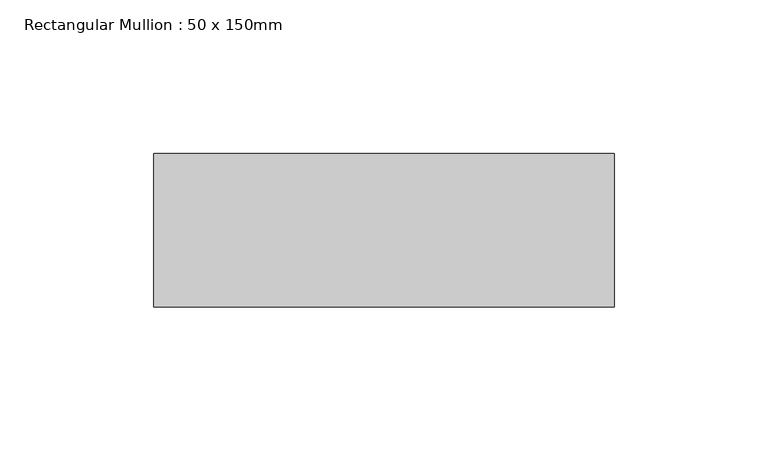
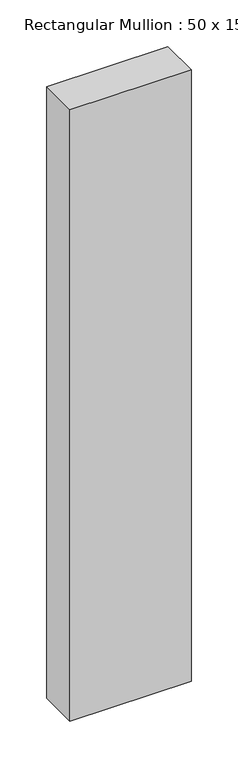
"""IFC4 building model written with IfcOpenShell, lengths in millimetres: member geometry, Rectangular Mullion : 50 x 150mm."""

from ifc_helpers import new_model, si_unit, frame, origin, place, context, project, spatial, polyline, outline, extrude, source, transform, mapped, element, save


def rectangular_mullion_50_x_150mm_a54d3b4e(model_context):
    return source(origin(), model_context, "Body", "SweptSolid", [
        extrude(outline(polyline([(150.0, 50.0), (150.0, 0.0), (0.0, 0.0), (0.0, 50.0), (150.0, 50.0)])), frame((0.0, 0.0, -800.0), z_axis=(0.0, 0.0, 1.0), x_axis=(1.0, 0.0, 0.0)), (0.0, 0.0, 1.0), 800.0),
    ])


if __name__ == "__main__":
    model = new_model("IFC4")
    model_context = context("Model", 3, world=origin())
    ifc_project = project(units=[si_unit("LENGTHUNIT", "METRE", prefix="MILLI")], contexts=[model_context])
    site = spatial("IfcSite", under=ifc_project)
    building = spatial("IfcBuilding", under=site)
    placement = place(None, origin())
    rectangular_mullion_50_x_150mm_shape = rectangular_mullion_50_x_150mm_a54d3b4e(model_context)
    element("IfcMember", 1, ObjectType="Rectangular Mullion : 50 x 150mm", at=placement, inside=building, context=model_context, shape_type="MappedRepresentation", body=[
        mapped(rectangular_mullion_50_x_150mm_shape, transform((0.0, 0.0, 0.0), x_axis=(1.0, 0.0, 0.0), y_axis=(0.0, 1.0, 0.0), z_axis=(0.0, 0.0, 1.0))),
    ])
    save(model, "model.ifc")
